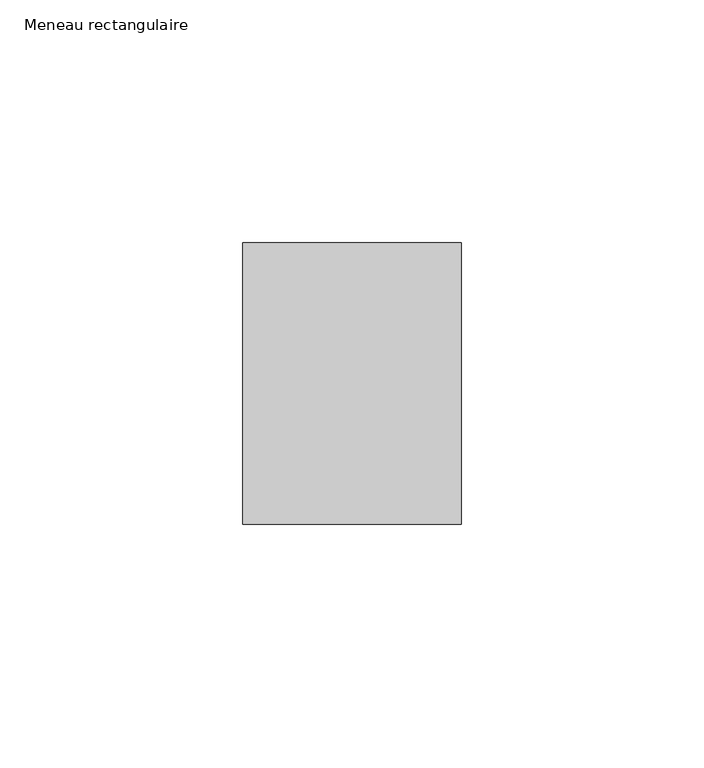
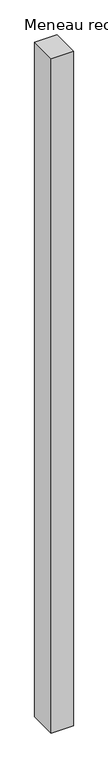
"""IFC4 building model written with IfcOpenShell, lengths in millimetres: member geometry, Meneau rectangulaire."""

from ifc_helpers import new_model, si_unit, frame, origin, place, context, project, spatial, polyline, outline, extrude, source, transform, mapped, element, save


def meneau_rectangulaire_624aa508(model_context):
    return source(origin(), model_context, "Body", "SweptSolid", [
        extrude(outline(polyline([(-45.0, 29.0), (0.0, 29.0), (0.0, -29.0), (-45.0, -29.0), (-45.0, 29.0)])), frame((0.0, 0.0, -1449.6666669), z_axis=(0.0, 0.0, 1.0), x_axis=(1.0, 0.0, 0.0)), (0.0, 0.0, 1.0), 1449.6666669),
    ])


if __name__ == "__main__":
    model = new_model("IFC4")
    model_context = context("Model", 3, world=origin())
    ifc_project = project(units=[si_unit("LENGTHUNIT", "METRE", prefix="MILLI")], contexts=[model_context])
    site = spatial("IfcSite", under=ifc_project)
    building = spatial("IfcBuilding", under=site)
    placement = place(None, origin())
    meneau_rectangulaire_shape = meneau_rectangulaire_624aa508(model_context)
    element("IfcMember", 1, ObjectType="Meneau rectangulaire", at=placement, inside=building, context=model_context, shape_type="MappedRepresentation", body=[
        mapped(meneau_rectangulaire_shape, transform((0.0, 0.0, 0.0), x_axis=(1.0, 0.0, 0.0), y_axis=(0.0, 1.0, 0.0), z_axis=(0.0, 0.0, 1.0))),
    ])
    save(model, "model.ifc")
